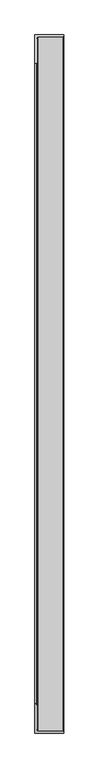
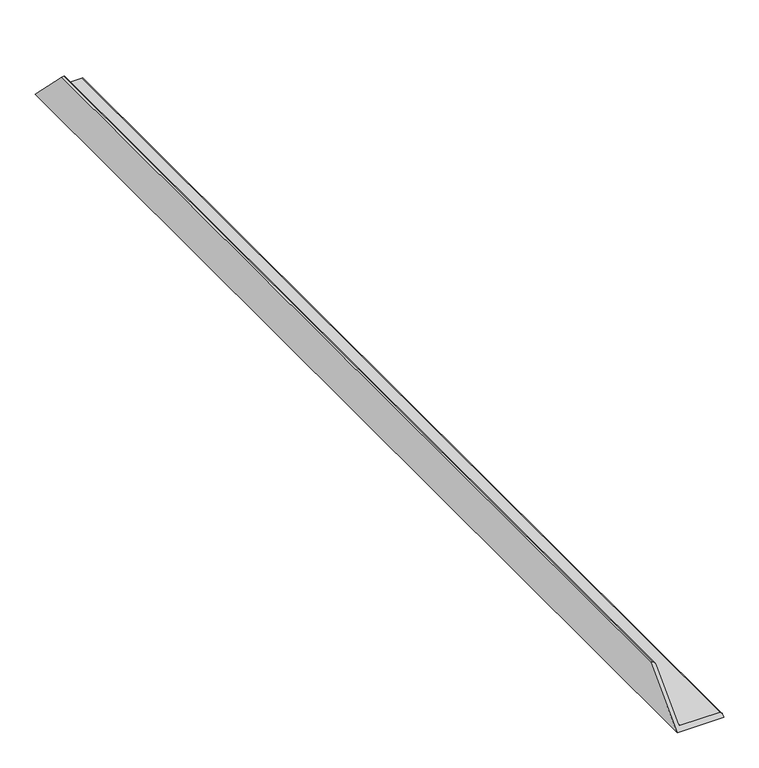
"""IFC4 building model written with IfcOpenShell, lengths in millimetres: proxy geometry."""

from ifc_helpers import new_model, si_unit, frame, origin, place, context, project, spatial, polyline, ellipse_curve, source, transform, mapped, element, save
from ifc_brep_helpers import plane_surface, cylinder_surface, revolved_surface, advanced_brep


def specialty_equipment_ccaa7bc6(model_context):
    return source(origin(), model_context, "Body", "AdvancedBrep", [
        advanced_brep(
        [(6.35, -73.025, 73.025), (6.35, -1755.775, 73.025), (6.35, -1820.8625, 7.9375), (6.35, -7.9375, 7.9375), (7.9375, -1822.45, 6.35), (7.9375, -6.35, 6.35), (73.025, -1822.45, 6.35), (73.025, -6.35, 6.35), (76.2, -1825.625, 3.175), (76.2, -3.175, 3.175), (76.2, -1828.8, 0.0), (76.2, 0.0, 0.0), (0.0, -1828.8, 0.0), (0.0, 0.0, 0.0), (0.0, -1752.6, 76.2), (0.0, -76.2, 76.2), (3.175, -1752.6, 76.2), (3.175, -76.2, 76.2)],
        [
            (0, 1),
            (1, 2),
            (2, 3),
            (3, 0),
            (2, 4, ellipse_curve(frame((7.9375, -1820.8625, 7.9375), z_axis=(0.0, -0.7071067811865488, 0.7071067811865462), x_axis=(0.0, -0.7071067811865462, -0.7071067811865488)), 2.245064, 1.5875)),
            (4, 5),
            (5, 3, ellipse_curve(frame((7.9375, -7.9375, 7.9375), z_axis=(0.0, 0.7071067811865394, 0.7071067811865557), x_axis=(0.0, -0.7071067811865557, 0.7071067811865394)), 2.245064, 1.5875)),
            (4, 6),
            (6, 7),
            (7, 5),
            (6, 8, ellipse_curve(frame((73.025, -1825.625, 3.175), z_axis=(0.0, 0.7071067811865488, -0.7071067811865462), x_axis=(0.0, 0.7071067811865462, 0.7071067811865488)), 4.4901281, 3.175)),
            (8, 9),
            (9, 7, ellipse_curve(frame((73.025, -3.175, 3.175), z_axis=(0.0, -0.7071067811865394, -0.7071067811865557), x_axis=(0.0, 0.7071067811865557, -0.7071067811865394)), 4.4901281, 3.175)),
            (10, 11),
            (11, 9),
            (8, 10),
            (10, 12),
            (12, 13),
            (13, 11),
            (12, 14),
            (14, 15),
            (15, 13),
            (14, 16),
            (16, 17),
            (17, 15),
            (0, 17, ellipse_curve(frame((3.175, -73.025, 73.025), z_axis=(0.0, -0.7071067811865394, -0.7071067811865557), x_axis=(0.0, 0.7071067811865557, -0.7071067811865394)), 4.4901281, 3.175)),
            (16, 1, ellipse_curve(frame((3.175, -1755.775, 73.025), z_axis=(0.0, 0.7071067811865488, -0.7071067811865462), x_axis=(0.0, 0.7071067811865462, 0.7071067811865488)), 4.4901281, 3.175)),
        ],
        [
            plane_surface(frame((6.35, 0.0, 73.025), z_axis=(1.0, 0.0, 0.0), x_axis=(0.0, -1.0, 0.0))),
            revolved_surface(polyline([(9.525, -1822.45, 7.9375), (9.525, -6.35, 7.9375)]), (7.9375, 0.0, 7.9375), (0.0, -1.0, 0.0)),
            plane_surface(frame((7.9375, 0.0, 6.35), z_axis=(0.0, 0.0, 1.0), x_axis=(0.0, -1.0, 0.0))),
            cylinder_surface(frame((73.025, 0.0, 3.175), z_axis=(0.0, 1.0, 0.0), x_axis=(1.0, 0.0, 0.0)), 3.175),
            plane_surface(frame((76.2, 0.0, 3.175), z_axis=(1.0, 0.0, 0.0), x_axis=(0.0, -1.0, 0.0))),
            plane_surface(frame((76.2, 0.0, 0.0), z_axis=(0.0, 0.0, -1.0), x_axis=(0.0, -1.0, 0.0))),
            plane_surface(frame((0.0, 0.0, 0.0), z_axis=(-1.0, 0.0, 0.0), x_axis=(0.0, -1.0, 0.0))),
            plane_surface(frame((0.0, 0.0, 76.2), z_axis=(0.0, 0.0, 1.0), x_axis=(0.0, -1.0, 0.0))),
            cylinder_surface(frame((3.175, 0.0, 73.025), z_axis=(0.0, 1.0, 0.0), x_axis=(1.0, 0.0, 0.0)), 3.175),
            plane_surface(frame((76.2, -76.2, 76.2), z_axis=(0.0, 0.7071067811865394, 0.7071067811865557), x_axis=(-1.0, 0.0, 0.0))),
            plane_surface(frame((76.2, -1828.8, 0.0), z_axis=(0.0, -0.7071067811865488, 0.7071067811865462), x_axis=(-1.0, 0.0, 0.0))),
        ],
        [
            (0, [[1, 2, 3, 4]]),
            (1, [[-3, 5, 6, 7]]),
            (2, [[-6, 8, 9, 10]]),
            (3, [[-9, 11, 12, 13]]),
            (4, [[14, 15, -12, 16]]),
            (5, [[-14, 17, 18, 19]]),
            (6, [[-18, 20, 21, 22]]),
            (7, [[-21, 23, 24, 25]]),
            (8, [[-1, 26, -24, 27]]),
            (9, [[-4, -7, -10, -13, -15, -19, -22, -25, -26]]),
            (10, [[-2, -27, -23, -20, -17, -16, -11, -8, -5]]),
        ],
    ),
    ])


if __name__ == "__main__":
    model = new_model("IFC4")
    model_context = context("Model", 3, world=origin())
    ifc_project = project(units=[si_unit("LENGTHUNIT", "METRE", prefix="MILLI")], contexts=[model_context])
    site = spatial("IfcSite", under=ifc_project)
    building = spatial("IfcBuilding", under=site)
    placement = place(None, origin())
    specialty_equipment_shape = specialty_equipment_ccaa7bc6(model_context)
    element("IfcBuildingElementProxy", 1, Name="Specialty Equipment", at=placement, inside=building, context=model_context, shape_type="MappedRepresentation", body=[
        mapped(specialty_equipment_shape, transform((0.0, 0.0, 0.0), x_axis=(1.0, 0.0, 0.0), y_axis=(0.0, 1.0, 0.0), z_axis=(0.0, 0.0, 1.0))),
    ])
    save(model, "model.ifc")
